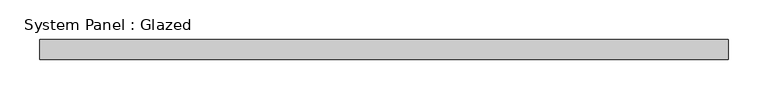
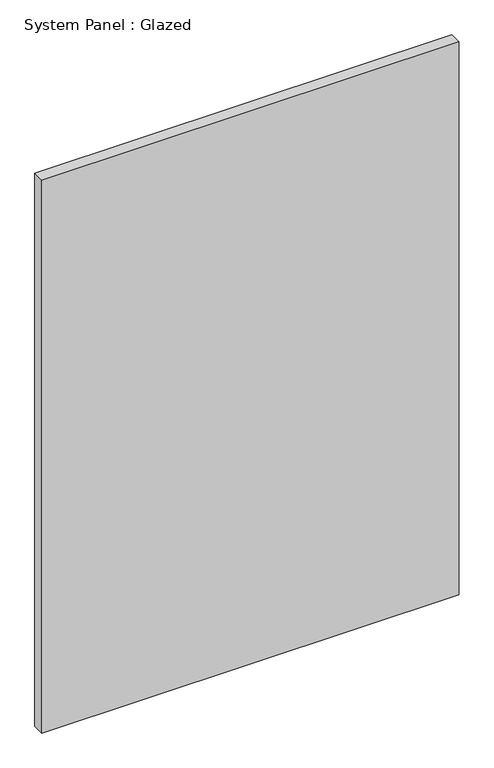
"""IFC4 building model written with IfcOpenShell, lengths in millimetres: plate geometry, System Panel : Glazed."""

from ifc_helpers import new_model, si_unit, origin, origin_with_axes, place, context, project, spatial, polyline, outline, extrude, source, transform, mapped, element, save


def system_panel_glazed_ebdd1bab(model_context):
    return source(origin(), model_context, "Body", "SweptSolid", [
        extrude(outline(polyline([(435.3395835, 19.05), (-435.3395835, 19.05), (-435.3395835, 44.45), (435.3395835, 44.45), (435.3395835, 19.05)])), origin_with_axes(), (0.0, 0.0, 1.0), 1219.2),
    ])


if __name__ == "__main__":
    model = new_model("IFC4")
    model_context = context("Model", 3, world=origin())
    ifc_project = project(units=[si_unit("LENGTHUNIT", "METRE", prefix="MILLI")], contexts=[model_context])
    site = spatial("IfcSite", under=ifc_project)
    building = spatial("IfcBuilding", under=site)
    placement = place(None, origin())
    system_panel_glazed_shape = system_panel_glazed_ebdd1bab(model_context)
    element("IfcPlate", 1, ObjectType="System Panel : Glazed", at=placement, inside=building, context=model_context, shape_type="MappedRepresentation", body=[
        mapped(system_panel_glazed_shape, transform((0.0, 0.0, 0.0), x_axis=(1.0, 0.0, 0.0), y_axis=(0.0, 1.0, 0.0), z_axis=(0.0, 0.0, 1.0))),
    ])
    save(model, "model.ifc")
